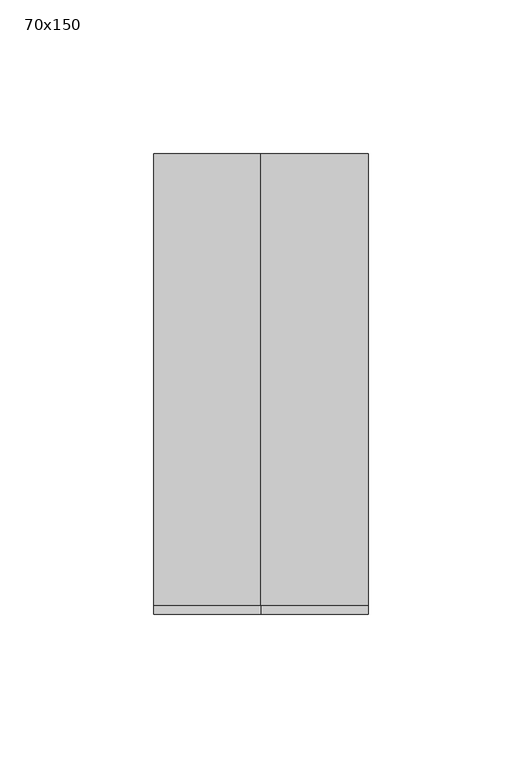
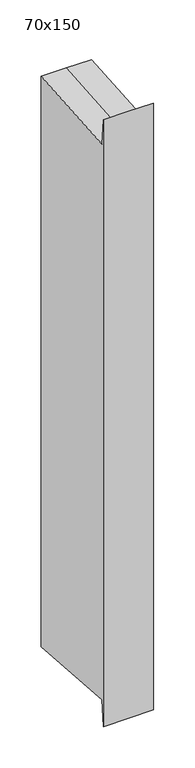
"""IFC4 building model written with IfcOpenShell, lengths in millimetres: member geometry, 70x150."""

from ifc_helpers import new_model, si_unit, origin, place, context, project, spatial, faceted_brep, source, transform, mapped, element, save


def member_70x150_beb285de(model_context):
    return source(origin(), model_context, "Body", "Brep", [
        faceted_brep([(-35.0, 75.0, 5.3883632), (0.0, 75.0, 5.3883632), (35.0, 75.0, 5.3883632), (35.0, 75.0, -835.3883632), (0.0, 75.0, -835.3883632), (-35.0, 75.0, -835.3883632), (-35.0, -75.0, 32.262788), (-35.0, -72.2491374, -5.374028), (-35.0, -72.2491374, -824.625972), (-35.0, -75.0, -862.262788), (35.0, -75.0, 32.262788), (0.0, -75.0, 32.262788), (0.0, -75.0, -862.262788), (35.0, -75.0, -862.262788), (35.0, -72.2491374, -5.374028), (35.0, -72.2491374, -824.625972), (0.0, -72.2491374, -5.374028), (0.0, -72.2491374, -824.625972)], [[[0, 1, 2, 3, 4, 5]], [[6, 7, 0, 5, 8, 9]], [[10, 11, 6, 9, 12, 13]], [[2, 14, 10, 13, 15, 3]], [[2, 1, 16, 14]], [[1, 0, 7, 16]], [[7, 6, 11, 16]], [[11, 10, 14, 16]], [[3, 15, 17, 4]], [[15, 13, 12, 17]], [[12, 9, 8, 17]], [[8, 5, 4, 17]]]),
    ])


if __name__ == "__main__":
    model = new_model("IFC4")
    model_context = context("Model", 3, world=origin())
    ifc_project = project(units=[si_unit("LENGTHUNIT", "METRE", prefix="MILLI")], contexts=[model_context])
    site = spatial("IfcSite", under=ifc_project)
    building = spatial("IfcBuilding", under=site)
    placement = place(None, origin())
    member_70x150_shape = member_70x150_beb285de(model_context)
    element("IfcMember", 1, ObjectType="70x150", at=placement, inside=building, context=model_context, shape_type="MappedRepresentation", body=[
        mapped(member_70x150_shape, transform((0.0, 0.0, 0.0), x_axis=(1.0, 0.0, 0.0), y_axis=(0.0, 1.0, 0.0), z_axis=(0.0, 0.0, 1.0))),
    ])
    save(model, "model.ifc")
